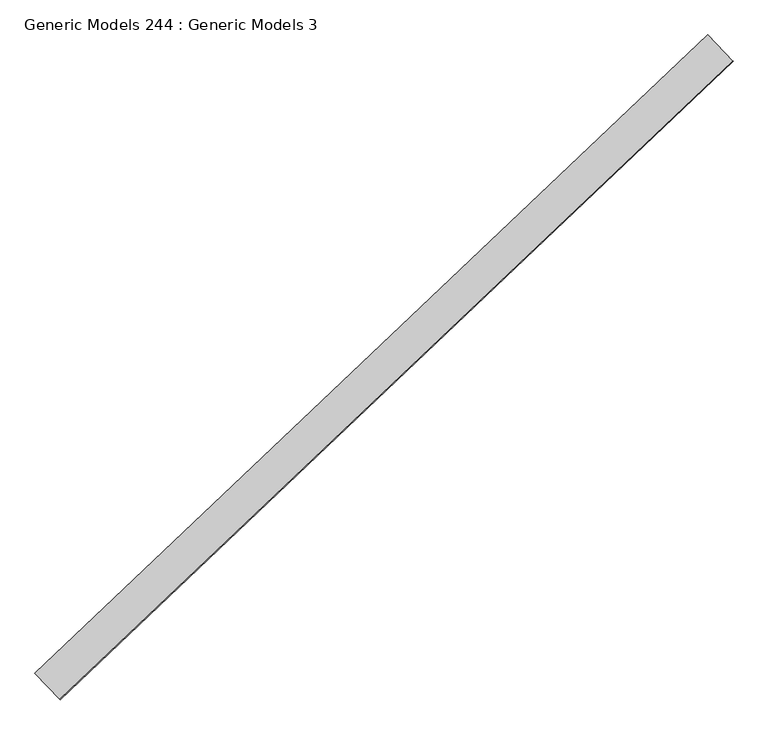
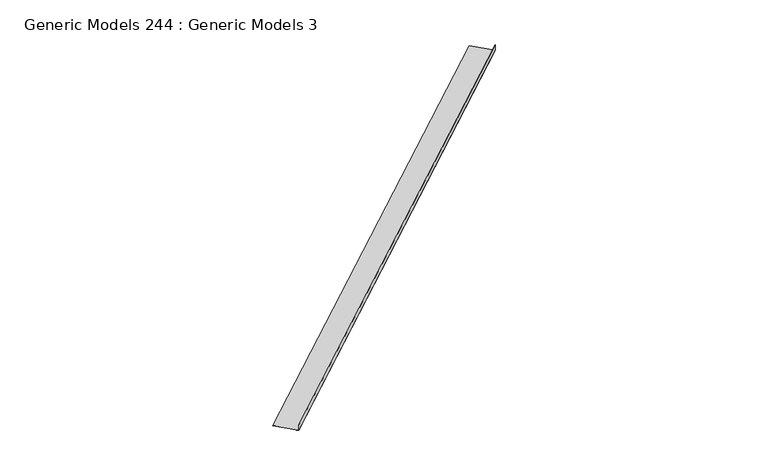
"""IFC4 building model written with IfcOpenShell, lengths in millimetres: proxy geometry, Generic Models 244 : Generic Models 3."""

from ifc_helpers import new_model, si_unit, frame, origin, place, context, project, spatial, polyline, outline, extrude, source, transform, mapped, element, save


def generic_models_244_generic_models_3_ca983081(model_context):
    return source(origin(), model_context, "Body", "SweptSolid", [
        extrude(outline(polyline([(-16.9283255, 0.0), (-16.9283255, -1.5875), (-95.823816, -1.5875), (-95.823816, -328.1256019), (-97.411316, -328.1256019), (-97.411316, 0.0), (-16.9283255, 0.0)])), frame((109943.8718961, 47313.4539138, 18110.1040325), z_axis=(0.7253743710122986, 0.6883545756937424, 0.0), x_axis=(0.0, 0.0, 1.0)), (0.0, 0.0, 1.0), 8321.675),
    ])


if __name__ == "__main__":
    model = new_model("IFC4")
    model_context = context("Model", 3, world=origin())
    ifc_project = project(units=[si_unit("LENGTHUNIT", "METRE", prefix="MILLI")], contexts=[model_context])
    site = spatial("IfcSite", under=ifc_project)
    building = spatial("IfcBuilding", under=site)
    placement = place(None, origin())
    generic_models_244_generic_models_3_shape = generic_models_244_generic_models_3_ca983081(model_context)
    element("IfcBuildingElementProxy", 1, Name="Generic Models 244 : Generic Models 3", ObjectType="Generic Models 244 : Generic Models 3", at=placement, inside=building, context=model_context, shape_type="MappedRepresentation", body=[
        mapped(generic_models_244_generic_models_3_shape, transform((0.0, 0.0, 0.0), x_axis=(1.0, 0.0, 0.0), y_axis=(0.0, 1.0, 0.0), z_axis=(0.0, 0.0, 1.0))),
    ])
    save(model, "model.ifc")
